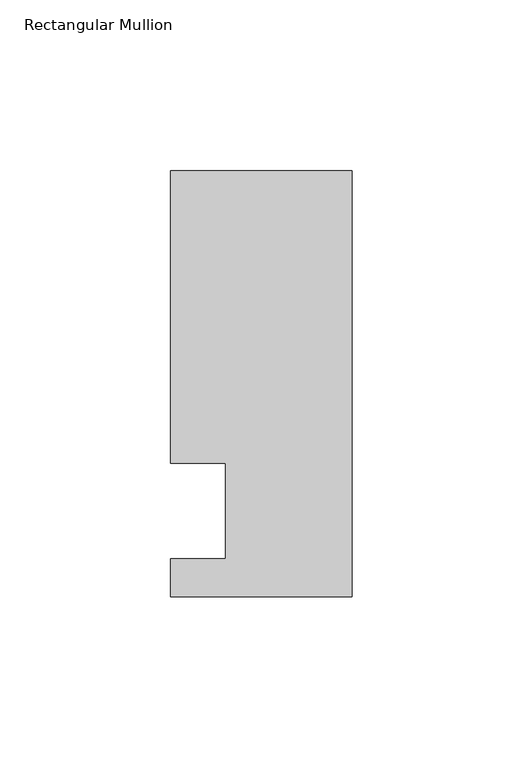
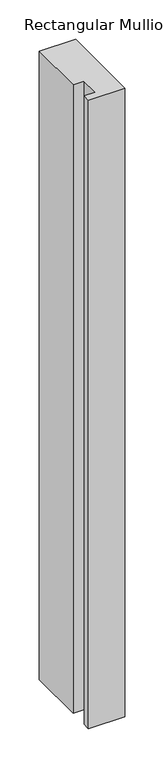
"""IFC4 building model written with IfcOpenShell, lengths in millimetres: member geometry, Rectangular Mullion."""

from ifc_helpers import new_model, si_unit, frame, origin, place, context, project, spatial, polyline, outline, extrude, source, transform, mapped, element, save


def rectangular_mullion_4ed5aa50(model_context):
    return source(origin(), model_context, "Body", "SweptSolid", [
        extrude(outline(polyline([(-37.0, -13.9999453), (-37.0, 14.0000547), (-53.0, 14.0000547), (-53.0, 99.5000547), (0.0, 99.5000547), (0.0, -24.9999453), (-53.0, -24.9999453), (-53.0, -13.9999453), (-37.0, -13.9999453)])), frame((0.0, 0.0, -973.9398405), z_axis=(0.0, 0.0, 1.0), x_axis=(1.0, 0.0, 0.0)), (0.0, 0.0, 1.0), 973.9398405),
    ])


if __name__ == "__main__":
    model = new_model("IFC4")
    model_context = context("Model", 3, world=origin())
    ifc_project = project(units=[si_unit("LENGTHUNIT", "METRE", prefix="MILLI")], contexts=[model_context])
    site = spatial("IfcSite", under=ifc_project)
    building = spatial("IfcBuilding", under=site)
    placement = place(None, origin())
    rectangular_mullion_shape = rectangular_mullion_4ed5aa50(model_context)
    element("IfcMember", 1, ObjectType="Rectangular Mullion", at=placement, inside=building, context=model_context, shape_type="MappedRepresentation", body=[
        mapped(rectangular_mullion_shape, transform((0.0, 0.0, 0.0), x_axis=(1.0, 0.0, 0.0), y_axis=(0.0, 1.0, 0.0), z_axis=(0.0, 0.0, 1.0))),
    ])
    save(model, "model.ifc")
